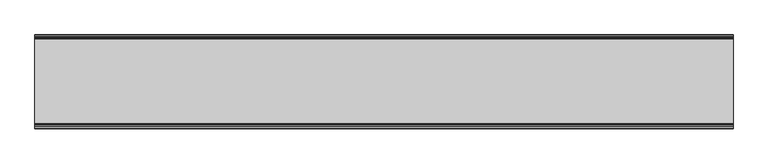
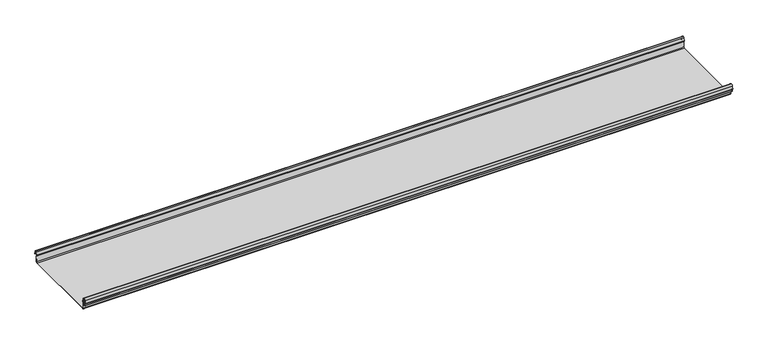
"""IFC4 building model written with IfcOpenShell, lengths in millimetres: beam geometry."""

from ifc_helpers import new_model, si_unit, frame, origin, place, context, project, spatial, polyline, circle_curve, source, transform, mapped, element, save
from ifc_brep_helpers import plane_surface, cylinder_surface, revolved_surface, advanced_brep


def beam_9fc5002c(model_context):
    return source(origin(), model_context, "Body", "AdvancedBrep", [
        advanced_brep(
        [(1317.115917, 174.5298471, 17.4730576), (1317.115917, 169.9958217, 21.2486363), (1317.115917, 165.4890072, 17.6093124), (1317.115917, 163.0420077, 6.2503755), (1317.115917, 164.7006671, 3.7959761), (1317.115917, 165.8698319, 2.0849359), (1317.115917, 164.3793103, -21.3247551), (1317.115917, 160.6848586, -24.7896475), (1317.115917, -159.5640942, -24.7896475), (1317.115917, -163.2568715, -21.3207217), (1317.115917, -164.7263748, 2.1632779), (1317.115917, -164.0984471, 3.0966958), (1317.115917, -161.8868093, 6.1624874), (1317.115917, -162.770348, 17.3389905), (1317.115917, -170.0, 24.0196704), (1317.115917, -177.229652, 17.3389905), (1317.115917, -178.1131907, 6.1624874), (1317.115917, -175.9015529, 3.0966958), (1317.115917, -175.2736252, 2.1632779), (1317.115917, -175.6653397, -4.0966758), (1317.115917, -174.6633838, -4.0966758), (1317.115917, -174.255975, 2.4140875), (1317.115917, -175.661391, 4.0675496), (1317.115917, -177.1158116, 6.08368), (1317.115917, -176.2261211, 17.3379999), (1317.115917, -170.0, 23.0196704), (1317.115917, -163.767144, 17.2589936), (1317.115917, -162.8795452, 6.0037927), (1317.115917, -164.338609, 4.0675496), (1317.115917, -165.744025, 2.4140875), (1317.115917, -164.2549195, -21.3831743), (1317.115917, -159.5640942, -25.7896475), (1317.115917, 160.6846135, -25.7896475), (1317.115917, 165.3772895, -21.3882975), (1317.115917, 166.868024, 2.0247376), (1317.115917, 164.9644432, 4.7613501), (1317.115917, 164.0277999, 6.0779003), (1317.115917, 166.4434849, 17.2822335), (1317.115917, 170.0063307, 20.2496221), (1317.115917, 173.4803249, 17.6539317), (1317.115917, 175.5075757, 6.5459412), (1317.115917, 176.5074356, 6.7299959), (-1317.115917, 174.5298471, 17.4730576), (-1317.115917, 176.5074356, 6.7299959), (-1317.115917, 175.5075757, 6.5459412), (-1317.115917, 173.4803249, 17.6539317), (-1317.115917, 170.0063307, 20.2496221), (-1317.115917, 166.4434849, 17.2822335), (-1317.115917, 164.0277999, 6.0779003), (-1317.115917, 164.9644432, 4.7613501), (-1317.115917, 166.868024, 2.0247376), (-1317.115917, 165.3772895, -21.3882975), (-1317.115917, 160.6846135, -25.7896475), (-1317.115917, -159.5640942, -25.7896475), (-1317.115917, -164.2549195, -21.3831743), (-1317.115917, -165.744025, 2.4140875), (-1317.115917, -164.338609, 4.0675496), (-1317.115917, -162.8795452, 6.0037927), (-1317.115917, -163.767144, 17.2589936), (-1317.115917, -170.0, 23.0196704), (-1317.115917, -176.2261211, 17.3379999), (-1317.115917, -177.1158116, 6.08368), (-1317.115917, -175.661391, 4.0675496), (-1317.115917, -174.255975, 2.4140875), (-1317.115917, -174.6633838, -4.0966758), (-1317.115917, -175.6653397, -4.0966758), (-1317.115917, -175.2736252, 2.1632779), (-1317.115917, -175.9015529, 3.0966958), (-1317.115917, -178.1066021, 6.2458324), (-1317.115917, -177.229652, 17.3389905), (-1317.115917, -170.0, 24.0196704), (-1317.115917, -162.770348, 17.3389905), (-1317.115917, -161.8868093, 6.1624874), (-1317.115917, -164.0984471, 3.0966958), (-1317.115917, -164.7263748, 2.1632779), (-1317.115917, -163.2568715, -21.3207217), (-1317.115917, -159.5640942, -24.7896475), (-1317.115917, 160.6848586, -24.7896475), (-1317.115917, 164.3793103, -21.3247551), (-1317.115917, 165.8698319, 2.0849359), (-1317.115917, 164.7006671, 3.7959761), (-1317.115917, 163.0420077, 6.2503755), (-1317.115917, 165.4890072, 17.6093124), (-1317.115917, 169.9958217, 21.2486363)],
        [
            (0, 1, circle_curve(frame((1317.115917, 169.9958217, 16.6384317), z_axis=(1.0, 0.0, 0.0), x_axis=(0.0, 1.0, 0.0)), 4.6102046)),
            (1, 2, circle_curve(frame((1317.115917, 169.9958217, 16.6384317), z_axis=(1.0, 0.0, 0.0), x_axis=(0.0, 0.2105938444020083, 0.9775736456656259)), 4.6102046)),
            (2, 3),
            (3, 4, circle_curve(frame((1317.115917, 165.4262002, 6.073937), z_axis=(1.0, 0.0, 0.0), x_axis=(0.0, -0.9528378408797884, 0.30347989881958104)), 2.3907121)),
            (4, 5, circle_curve(frame((1317.115917, 164.1897695, 2.1919074), z_axis=(-1.0, 0.0, 0.0), x_axis=(0.0, 0.06354246328302078, 0.9979791357337717)), 1.6834645)),
            (5, 6),
            (6, 7, circle_curve(frame((1317.115917, 160.6867875, -21.089648), z_axis=(-1.0, 0.0, 0.0), x_axis=(0.0, 0.9999998641088232, -0.0005213274739325337)), 3.7)),
            (7, 8),
            (8, 9, circle_curve(frame((1317.115917, -159.5640942, -21.0896475), z_axis=(-1.0, 0.0, 0.0), x_axis=(0.0, 0.062452508687223206, -0.9980479368039755)), 3.7)),
            (9, 10),
            (10, 11, circle_curve(frame((1317.115917, -163.8044049, 2.2209698), z_axis=(-1.0, 0.0, 0.0), x_axis=(0.0, -0.9479881328261025, -0.31830567073314897)), 0.9237732)),
            (11, 12, circle_curve(frame((1317.115917, -164.7984694, 5.9323112), z_axis=(1.0, 0.0, 0.0), x_axis=(0.0, 0.07880737243916666, -0.9968898625471294)), 2.9207441)),
            (12, 13),
            (13, 14, circle_curve(frame((1317.115917, -170.0, 16.7674631), z_axis=(1.0, 0.0, 0.0), x_axis=(0.0, 1.0, 0.0)), 7.2522073)),
            (14, 15, circle_curve(frame((1317.115917, -170.0, 16.7674631), z_axis=(1.0, 0.0, 0.0), x_axis=(0.0, 0.07880737243912425, 0.9968898625471327)), 7.2522073)),
            (15, 16),
            (16, 17, circle_curve(frame((1317.115917, -175.2001089, 5.9344165), z_axis=(1.0, 0.0, 0.0), x_axis=(0.0, -0.9707819351134729, 0.2399634023290655)), 2.9231288)),
            (17, 18, circle_curve(frame((1317.115917, -176.1025472, 2.2835649), z_axis=(-1.0, 0.0, 0.0), x_axis=(0.0, 0.14360843272178178, 0.9896345881441257)), 0.8376041)),
            (18, 19),
            (19, 20, circle_curve(frame((1317.115917, -175.1643617, -4.0966758), z_axis=(1.0, 0.0, 0.0), x_axis=(0.0, 0.0, -1.0)), 0.5009779)),
            (20, 21),
            (21, 22, circle_curve(frame((1317.115917, -176.1062911, 2.2653702), z_axis=(1.0, 0.0, 0.0), x_axis=(0.0, 0.9708537722163966, -0.23967259537375799)), 1.856283)),
            (22, 23, circle_curve(frame((1317.115917, -175.2010412, 5.9323112), z_axis=(-1.0, 0.0, 0.0), x_axis=(0.0, -0.07880737243914376, -0.9968898625471312)), 1.9207441)),
            (23, 24),
            (24, 25, circle_curve(frame((1317.115917, -170.0770494, 16.8518958), z_axis=(-1.0, 0.0, 0.0), x_axis=(0.0, -0.9999219808421378, 0.012491286112139365)), 6.1682558)),
            (25, 26, circle_curve(frame((1317.115917, -170.0791743, 16.6817991), z_axis=(-1.0, 0.0, 0.0), x_axis=(0.0, -0.09106361391821856, 0.9958450774192508)), 6.3383658)),
            (26, 27),
            (27, 28, circle_curve(frame((1317.115917, -164.70299, 5.8599936), z_axis=(-1.0, 0.0, 0.0), x_axis=(0.0, 0.9799562955839813, 0.19921259685401593)), 1.8291061)),
            (28, 29, circle_curve(frame((1317.115917, -163.9886548, 2.3460727), z_axis=(1.0, 0.0, 0.0), x_axis=(0.0, 0.03871763325448635, 0.9992501913310655)), 1.7566874)),
            (29, 30),
            (30, 31, circle_curve(frame((1317.115917, -159.5640942, -21.0896475), z_axis=(1.0, 0.0, 0.0), x_axis=(0.0, -1.0, 0.0)), 4.7)),
            (31, 32),
            (32, 33, circle_curve(frame((1317.115917, 160.6846135, -21.0873301), z_axis=(1.0, 0.0, 0.0), x_axis=(0.0, -0.06400407594283139, -0.997949637137418)), 4.7023174)),
            (33, 34),
            (34, 35, circle_curve(frame((1317.115917, 164.1939121, 2.1950013), z_axis=(1.0, 0.0, 0.0), x_axis=(0.0, 0.9577619201002135, -0.2875623487279797)), 2.6795268)),
            (35, 36, circle_curve(frame((1317.115917, 165.0972859, 5.8473161), z_axis=(-1.0, 0.0, 0.0), x_axis=(0.0, -0.210759855052358, -0.9775378680635902)), 1.094061)),
            (36, 37),
            (37, 38, circle_curve(frame((1317.115917, 170.0063307, 16.627032), z_axis=(-1.0, 0.0, 0.0), x_axis=(0.0, -1.0, 0.0)), 3.6225901)),
            (38, 39, circle_curve(frame((1317.115917, 170.0063307, 16.627032), z_axis=(-1.0, 0.0, 0.0), x_axis=(0.0, -0.2834711363957483, 0.9589807687490417)), 3.6225901)),
            (39, 40),
            (40, 41, circle_curve(frame((1317.115917, 176.0075057, 6.6379685), z_axis=(1.0, 0.0, 0.0), x_axis=(0.0, 0.18103878268247353, -0.9834759575937014)), 0.5083296)),
            (41, 0),
            (42, 43),
            (43, 44, circle_curve(frame((-1317.115917, 176.0075057, 6.6379685), z_axis=(-1.0, 0.0, 0.0), x_axis=(0.0, 0.18103878268247353, -0.9834759575937014)), 0.5083296)),
            (44, 45),
            (45, 46, circle_curve(frame((-1317.115917, 170.0063307, 16.627032), z_axis=(1.0, 0.0, 0.0), x_axis=(0.0, -0.2834711363957483, 0.9589807687490417)), 3.6225901)),
            (46, 47, circle_curve(frame((-1317.115917, 170.0063307, 16.627032), z_axis=(1.0, 0.0, 0.0), x_axis=(0.0, -1.0, 0.0)), 3.6225901)),
            (47, 48),
            (48, 49, circle_curve(frame((-1317.115917, 165.0972859, 5.8473161), z_axis=(1.0, 0.0, 0.0), x_axis=(0.0, -0.210759855052358, -0.9775378680635902)), 1.094061)),
            (49, 50, circle_curve(frame((-1317.115917, 164.1939121, 2.1950013), z_axis=(-1.0, 0.0, 0.0), x_axis=(0.0, 0.9577619201002135, -0.2875623487279797)), 2.6795268)),
            (50, 51),
            (51, 52, circle_curve(frame((-1317.115917, 160.6846135, -21.0873301), z_axis=(-1.0, 0.0, 0.0), x_axis=(0.0, -0.06400407594283139, -0.997949637137418)), 4.7023174)),
            (52, 53),
            (53, 54, circle_curve(frame((-1317.115917, -159.5640942, -21.0896475), z_axis=(-1.0, 0.0, 0.0), x_axis=(0.0, -1.0, 0.0)), 4.7)),
            (54, 55),
            (55, 56, circle_curve(frame((-1317.115917, -163.9886548, 2.3460727), z_axis=(-1.0, 0.0, 0.0), x_axis=(0.0, 0.03871763325448635, 0.9992501913310655)), 1.7566874)),
            (56, 57, circle_curve(frame((-1317.115917, -164.70299, 5.8599936), z_axis=(1.0, 0.0, 0.0), x_axis=(0.0, 0.9799562955839813, 0.19921259685401593)), 1.8291061)),
            (57, 58),
            (58, 59, circle_curve(frame((-1317.115917, -170.0791743, 16.6817991), z_axis=(1.0, 0.0, 0.0), x_axis=(0.0, -0.09106361391821856, 0.9958450774192508)), 6.3383658)),
            (59, 60, circle_curve(frame((-1317.115917, -170.0770494, 16.8518958), z_axis=(1.0, 0.0, 0.0), x_axis=(0.0, -0.9999219808421378, 0.012491286112139365)), 6.1682558)),
            (60, 61),
            (61, 62, circle_curve(frame((-1317.115917, -175.2010412, 5.9323112), z_axis=(1.0, 0.0, 0.0), x_axis=(0.0, -0.07880737243914376, -0.9968898625471312)), 1.9207441)),
            (62, 63, circle_curve(frame((-1317.115917, -176.1062911, 2.2653702), z_axis=(-1.0, 0.0, 0.0), x_axis=(0.0, 0.9708537722163966, -0.23967259537375799)), 1.856283)),
            (63, 64),
            (64, 65, circle_curve(frame((-1317.115917, -175.1643617, -4.0966758), z_axis=(-1.0, 0.0, 0.0), x_axis=(0.0, 0.0, -1.0)), 0.5009779)),
            (65, 66),
            (66, 67, circle_curve(frame((-1317.115917, -176.1025472, 2.2835649), z_axis=(1.0, 0.0, 0.0), x_axis=(0.0, 0.14360843272178178, 0.9896345881441257)), 0.8376041)),
            (67, 68, circle_curve(frame((-1317.115917, -175.2001089, 5.9344165), z_axis=(-1.0, 0.0, 0.0), x_axis=(0.0, -0.9707819351134729, 0.2399634023290655)), 2.9231288)),
            (68, 69),
            (69, 70, circle_curve(frame((-1317.115917, -170.0, 16.7674631), z_axis=(-1.0, 0.0, 0.0), x_axis=(0.0, 0.07880737243912425, 0.9968898625471327)), 7.2522073)),
            (70, 71, circle_curve(frame((-1317.115917, -170.0, 16.7674631), z_axis=(-1.0, 0.0, 0.0), x_axis=(0.0, 1.0, 0.0)), 7.2522073)),
            (71, 72),
            (72, 73, circle_curve(frame((-1317.115917, -164.7984694, 5.9323112), z_axis=(-1.0, 0.0, 0.0), x_axis=(0.0, 0.07880737243916666, -0.9968898625471294)), 2.9207441)),
            (73, 74, circle_curve(frame((-1317.115917, -163.8044049, 2.2209698), z_axis=(1.0, 0.0, 0.0), x_axis=(0.0, -0.9479881328261025, -0.31830567073314897)), 0.9237732)),
            (74, 75),
            (75, 76, circle_curve(frame((-1317.115917, -159.5640942, -21.0896475), z_axis=(1.0, 0.0, 0.0), x_axis=(0.0, 0.062452508687223206, -0.9980479368039755)), 3.7)),
            (76, 77),
            (77, 78, circle_curve(frame((-1317.115917, 160.6867875, -21.089648), z_axis=(1.0, 0.0, 0.0), x_axis=(0.0, 0.9999998641088232, -0.0005213274739325337)), 3.7)),
            (78, 79),
            (79, 80, circle_curve(frame((-1317.115917, 164.1897695, 2.1919074), z_axis=(1.0, 0.0, 0.0), x_axis=(0.0, 0.06354246328302078, 0.9979791357337717)), 1.6834645)),
            (80, 81, circle_curve(frame((-1317.115917, 165.4262002, 6.073937), z_axis=(-1.0, 0.0, 0.0), x_axis=(0.0, -0.9528378408797884, 0.30347989881958104)), 2.3907121)),
            (81, 82),
            (82, 83, circle_curve(frame((-1317.115917, 169.9958217, 16.6384317), z_axis=(-1.0, 0.0, 0.0), x_axis=(0.0, 0.2105938444020083, 0.9775736456656259)), 4.6102046)),
            (83, 42, circle_curve(frame((-1317.115917, 169.9958217, 16.6384317), z_axis=(-1.0, 0.0, 0.0), x_axis=(0.0, 1.0, 0.0)), 4.6102046)),
            (42, 0),
            (41, 43),
            (40, 44),
            (39, 45),
            (38, 46),
            (37, 47),
            (36, 48),
            (35, 49),
            (34, 50),
            (33, 51),
            (32, 52),
            (31, 53),
            (30, 54),
            (29, 55),
            (28, 56),
            (27, 57),
            (26, 58),
            (25, 59),
            (24, 60),
            (23, 61),
            (22, 62),
            (21, 63),
            (20, 64),
            (19, 65),
            (18, 66),
            (17, 67),
            (16, 68),
            (15, 69),
            (14, 70),
            (13, 71),
            (12, 72),
            (11, 73),
            (10, 74),
            (9, 75),
            (8, 76),
            (7, 77),
            (6, 78),
            (5, 79),
            (4, 80),
            (3, 81),
            (2, 82),
            (1, 83),
        ],
        [
            plane_surface(frame((1317.115917, 176.5074356, 6.7299959), z_axis=(1.0000000000000002, 0.0, 0.0), x_axis=(0.0, -0.18103878268248824, 0.9834759575936989))),
            plane_surface(frame((-1317.115917, 176.5074356, 6.7299959), z_axis=(-1.0000000000000002, 0.0, 0.0), x_axis=(0.0, 0.18103878268248824, -0.9834759575936989))),
            plane_surface(frame((1317.115917, 175.5186413, 12.1015267), z_axis=(0.0, 0.9834759575937931, 0.18103878268197598), x_axis=(0.0, 0.18103878268197598, -0.9834759575937931))),
            cylinder_surface(frame((1317.115917, 176.0075057, 6.6379685), z_axis=(-1.0, 0.0, 0.0), x_axis=(0.0, 0.18103878268247353, -0.9834759575937014)), 0.5083296),
            plane_surface(frame((1317.115917, 174.4939503, 12.0999365), z_axis=(0.0, -0.9837509798366516, -0.17953832368168063), x_axis=(0.0, -0.17953832368168063, 0.9837509798366516))),
            revolved_surface(polyline([(-1317.115917, 168.979430967657, 20.101026238960667), (1317.115917, 168.979430967657, 20.101026238960667)]), (1317.115917, 170.0063307, 16.627032), (-1.0, 0.0, 0.0)),
            revolved_surface(polyline([(-1317.115917, 166.3837406, 16.627032), (1317.115917, 166.3837406, 16.627032)]), (1317.115917, 170.0063307, 16.627032), (-1.0, 0.0, 0.0)),
            plane_surface(frame((1317.115917, 165.2356424, 11.6800669), z_axis=(0.0, 0.9775378680634891, -0.2107598550528272), x_axis=(0.0, -0.2107598550528272, -0.9775378680634891))),
            revolved_surface(polyline([(-1317.115917, 164.86670176222157, 4.77783004252848), (1317.115917, 164.86670176222157, 4.77783004252848)]), (1317.115917, 165.0972859, 5.8473161), (-1.0, 0.0, 0.0)),
            cylinder_surface(frame((1317.115917, 164.1939121, 2.1950013), z_axis=(-1.0, 0.0, 0.0), x_axis=(0.0, 0.9577619201002135, -0.2875623487279797)), 2.6795268),
            plane_surface(frame((1317.115917, 166.1226567, -9.68178), z_axis=(0.0, 0.9979791357337514, -0.06354246328334037), x_axis=(0.0, -0.06354246328334037, -0.9979791357337514))),
            cylinder_surface(frame((1317.115917, 160.6846135, -21.0873301), z_axis=(-1.0, 0.0, 0.0), x_axis=(0.0, -0.06400407594283139, -0.997949637137418)), 4.7023174),
            plane_surface(frame((1317.115917, 0.5602597, -25.7896475), z_axis=(0.0, 0.0, -1.0), x_axis=(0.0, -1.0, 0.0))),
            cylinder_surface(frame((1317.115917, -159.5640942, -21.0896475), z_axis=(-1.0, 0.0, 0.0), x_axis=(0.0, -1.0, 0.0)), 4.7),
            plane_surface(frame((1317.115917, -164.9994722, -9.4845434), z_axis=(0.0, -0.99804793680396, -0.06245250868747398), x_axis=(0.0, -0.06245250868747398, 0.99804793680396))),
            cylinder_surface(frame((1317.115917, -163.9886548, 2.3460727), z_axis=(-1.0, 0.0, 0.0), x_axis=(0.0, 0.03871763325448635, 0.9992501913310655)), 1.7566874),
            revolved_surface(polyline([(-1317.115917, -162.91054596201394, 6.224374576102521), (1317.115917, -162.91054596201394, 6.224374576102521)]), (1317.115917, -164.70299, 5.8599936), (-1.0, 0.0, 0.0)),
            plane_surface(frame((1317.115917, -163.3233446, 11.6313931), z_axis=(0.0, -0.9969048840807634, -0.07861712342689589), x_axis=(0.0, -0.07861712342689589, 0.9969048840807634))),
            revolved_surface(polyline([(-1317.115917, -170.65636879608365, 22.99382948081253), (1317.115917, -170.65636879608365, 22.99382948081253)]), (1317.115917, -170.0791743, 16.6817991), (-1.0, 0.0, 0.0)),
            revolved_surface(polyline([(-1317.115917, -176.244823957877, 16.928945248010663), (1317.115917, -176.244823957877, 16.928945248010663)]), (1317.115917, -170.0770494, 16.8518958), (-1.0, 0.0, 0.0)),
            plane_surface(frame((1317.115917, -176.6709664, 11.71084), z_axis=(0.0, 0.9968898625470921, -0.07880737243963815), x_axis=(0.0, -0.07880737243963815, -0.9968898625470921))),
            revolved_surface(polyline([(-1317.115917, -175.35240999564897, 4.017540878162787), (1317.115917, -175.35240999564897, 4.017540878162787)]), (1317.115917, -175.2010412, 5.9323112), (-1.0, 0.0, 0.0)),
            cylinder_surface(frame((1317.115917, -176.1062911, 2.2653702), z_axis=(-1.0, 0.0, 0.0), x_axis=(0.0, 0.9708537722163966, -0.23967259537375799)), 1.856283),
            plane_surface(frame((1317.115917, -174.4596794, -0.8412941), z_axis=(0.0, 0.9980479368039222, -0.06245250868807452), x_axis=(0.0, -0.06245250868807452, -0.9980479368039222))),
            cylinder_surface(frame((1317.115917, -175.1643617, -4.0966758), z_axis=(-1.0, 0.0, 0.0), x_axis=(0.0, 0.0, -1.0)), 0.5009779),
            plane_surface(frame((1317.115917, -175.4694824, -0.9666989), z_axis=(0.0, -0.9980479368040358, 0.06245250868626084), x_axis=(0.0, 0.06245250868626084, 0.9980479368040358))),
            revolved_surface(polyline([(-1317.115917, -175.98226018795768, 3.112486888531331), (1317.115917, -175.98226018795768, 3.112486888531331)]), (1317.115917, -176.1025472, 2.2835649), (-1.0, 0.0, 0.0)),
            cylinder_surface(frame((1317.115917, -175.2001089, 5.9344165), z_axis=(-1.0, 0.0, 0.0), x_axis=(0.0, -0.9707819351134729, 0.2399634023290655)), 2.9231288),
            plane_surface(frame((1317.115917, -177.6714214, 11.7507389), z_axis=(0.0, -0.9968898625471735, 0.07880737243860966), x_axis=(0.0, 0.07880737243860966, 0.9968898625471735))),
            cylinder_surface(frame((1317.115917, -170.0, 16.7674631), z_axis=(-1.0, 0.0, 0.0), x_axis=(0.0, 0.07880737243912425, 0.9968898625471327)), 7.2522073),
            cylinder_surface(frame((1317.115917, -170.0, 16.7674631), z_axis=(-1.0, 0.0, 0.0), x_axis=(0.0, 1.0, 0.0)), 7.2522073),
            plane_surface(frame((1317.115917, -162.3285786, 11.7507389), z_axis=(0.0, 0.9968898625471712, 0.07880737243863836), x_axis=(0.0, 0.07880737243863836, -0.9968898625471712))),
            cylinder_surface(frame((1317.115917, -164.7984694, 5.9323112), z_axis=(-1.0, 0.0, 0.0), x_axis=(0.0, 0.07880737243916666, -0.9968898625471294)), 2.9207441),
            revolved_surface(polyline([(-1317.115917, -164.6801309310228, 1.9269275519686928), (1317.115917, -164.6801309310228, 1.9269275519686928)]), (1317.115917, -163.8044049, 2.2209698), (-1.0, 0.0, 0.0)),
            plane_surface(frame((1317.115917, -163.9916232, -9.5787219), z_axis=(0.0, 0.9980479368039906, 0.0624525086869835), x_axis=(0.0, 0.0624525086869835, -0.9980479368039906))),
            revolved_surface(polyline([(-1317.115917, -159.33301991785729, -24.78242486617471), (1317.115917, -159.33301991785729, -24.78242486617471)]), (1317.115917, -159.5640942, -21.0896475), (-1.0, 0.0, 0.0)),
            plane_surface(frame((1317.115917, 0.5603822, -24.7896475), z_axis=(0.0, 0.0, 1.0), x_axis=(0.0, 1.0, 0.0))),
            revolved_surface(polyline([(-1317.115917, 164.38678699720265, -21.09157691165355), (1317.115917, 164.38678699720265, -21.09157691165355)]), (1317.115917, 160.6867875, -21.089648), (-1.0, 0.0, 0.0)),
            plane_surface(frame((1317.115917, 165.1245711, -9.6199096), z_axis=(0.0, -0.9979791357337828, 0.06354246328284598), x_axis=(0.0, 0.06354246328284598, 0.9979791357337828))),
            revolved_surface(polyline([(-1317.115917, 164.29674098117954, 3.871969846748486), (1317.115917, 164.29674098117954, 3.871969846748486)]), (1317.115917, 164.1897695, 2.1919074), (-1.0, 0.0, 0.0)),
            cylinder_surface(frame((1317.115917, 165.4262002, 6.073937), z_axis=(-1.0, 0.0, 0.0), x_axis=(0.0, -0.9528378408797884, 0.30347989881958104)), 2.3907121),
            plane_surface(frame((1317.115917, 164.2655075, 11.929844), z_axis=(0.0, -0.9775736456657296, 0.21059384440152715), x_axis=(0.0, 0.21059384440152715, 0.9775736456657296))),
            cylinder_surface(frame((1317.115917, 169.9958217, 16.6384317), z_axis=(-1.0, 0.0, 0.0), x_axis=(0.0, 0.2105938444020083, 0.9775736456656259)), 4.6102046),
            cylinder_surface(frame((1317.115917, 169.9958217, 16.6384317), z_axis=(-1.0, 0.0, 0.0), x_axis=(0.0, 1.0, 0.0)), 4.6102046),
        ],
        [
            (0, [[1, 2, 3, 4, 5, 6, 7, 8, 9, 10, 11, 12, 13, 14, 15, 16, 17, 18, 19, 20, 21, 22, 23, 24, 25, 26, 27, 28, 29, 30, 31, 32, 33, 34, 35, 36, 37, 38, 39, 40, 41, 42]]),
            (1, [[43, 44, 45, 46, 47, 48, 49, 50, 51, 52, 53, 54, 55, 56, 57, 58, 59, 60, 61, 62, 63, 64, 65, 66, 67, 68, 69, 70, 71, 72, 73, 74, 75, 76, 77, 78, 79, 80, 81, 82, 83, 84]]),
            (2, [[-43, 85, -42, 86]]),
            (3, [[-44, -86, -41, 87]]),
            (4, [[-45, -87, -40, 88]]),
            (5, [[-46, -88, -39, 89]]),
            (6, [[-47, -89, -38, 90]]),
            (7, [[-48, -90, -37, 91]]),
            (8, [[-49, -91, -36, 92]]),
            (9, [[-50, -92, -35, 93]]),
            (10, [[-51, -93, -34, 94]]),
            (11, [[-52, -94, -33, 95]]),
            (12, [[-53, -95, -32, 96]]),
            (13, [[-54, -96, -31, 97]]),
            (14, [[-55, -97, -30, 98]]),
            (15, [[-56, -98, -29, 99]]),
            (16, [[-57, -99, -28, 100]]),
            (17, [[-58, -100, -27, 101]]),
            (18, [[-59, -101, -26, 102]]),
            (19, [[-60, -102, -25, 103]]),
            (20, [[-61, -103, -24, 104]]),
            (21, [[-62, -104, -23, 105]]),
            (22, [[-63, -105, -22, 106]]),
            (23, [[-64, -106, -21, 107]]),
            (24, [[-65, -107, -20, 108]]),
            (25, [[-66, -108, -19, 109]]),
            (26, [[-67, -109, -18, 110]]),
            (27, [[-68, -110, -17, 111]]),
            (28, [[-69, -111, -16, 112]]),
            (29, [[-70, -112, -15, 113]]),
            (30, [[-71, -113, -14, 114]]),
            (31, [[-72, -114, -13, 115]]),
            (32, [[-73, -115, -12, 116]]),
            (33, [[-74, -116, -11, 117]]),
            (34, [[-75, -117, -10, 118]]),
            (35, [[-76, -118, -9, 119]]),
            (36, [[-77, -119, -8, 120]]),
            (37, [[-78, -120, -7, 121]]),
            (38, [[-79, -121, -6, 122]]),
            (39, [[-80, -122, -5, 123]]),
            (40, [[-81, -123, -4, 124]]),
            (41, [[-82, -124, -3, 125]]),
            (42, [[-83, -125, -2, 126]]),
            (43, [[-84, -126, -1, -85]]),
        ],
    ),
    ])


if __name__ == "__main__":
    model = new_model("IFC4")
    model_context = context("Model", 3, world=origin())
    ifc_project = project(units=[si_unit("LENGTHUNIT", "METRE", prefix="MILLI")], contexts=[model_context])
    site = spatial("IfcSite", under=ifc_project)
    building = spatial("IfcBuilding", under=site)
    placement = place(None, origin())
    beam_shape = beam_9fc5002c(model_context)
    element("IfcBeam", 1, at=placement, inside=building, context=model_context, shape_type="MappedRepresentation", body=[
        mapped(beam_shape, transform((0.0, 0.0, 0.0), x_axis=(1.0, 0.0, 0.0), y_axis=(0.0, 1.0, 0.0), z_axis=(0.0, 0.0, 1.0))),
    ])
    save(model, "model.ifc")
